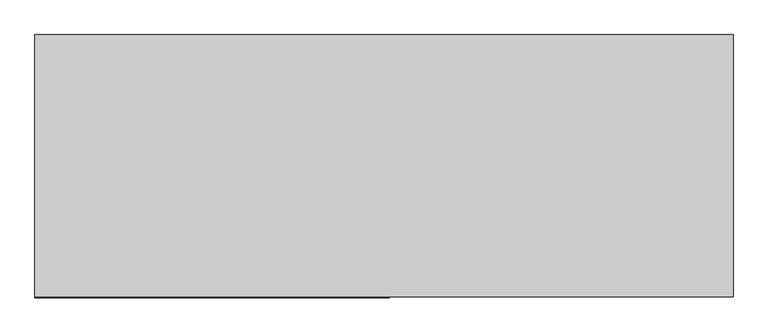
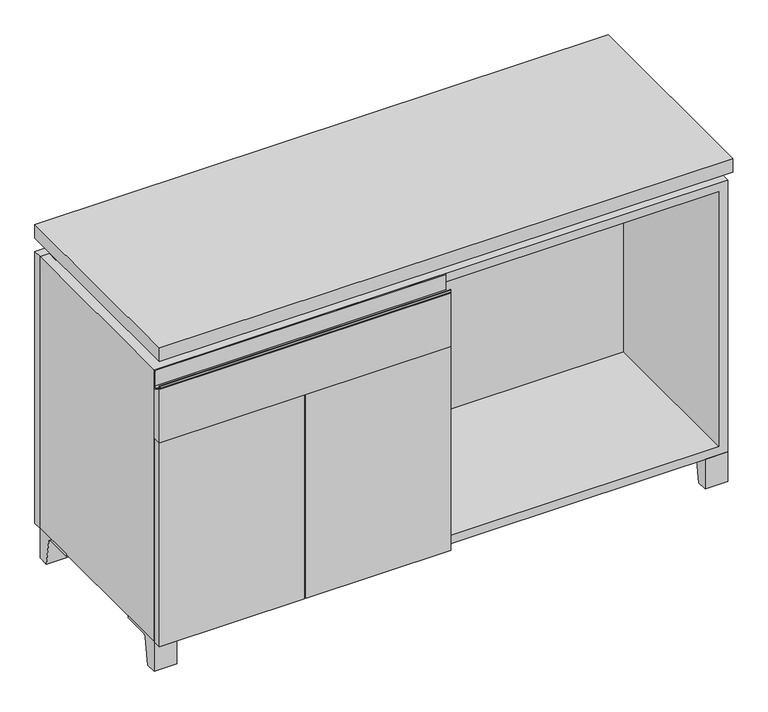
"""IFC4 building model written with IfcOpenShell, lengths in millimetres: furniture geometry."""

from ifc_helpers import new_model, si_unit, point, frame, frame_2d, origin, place, context, project, spatial, polyline, circle_curve, trimmed, segment, composite_curve, outline, extrude, faceted_brep, source, transform, mapped, element, save


def furniture_2ccb63e7(model_context):
    return source(origin(), model_context, "Body", "SolidModel", [
        extrude(outline(composite_curve([segment(polyline([(-146.05, 633.4125), (-165.1, 644.525)]), True, "CONTINUOUS"), segment(trimmed(circle_curve(frame_2d((-163.9001571, 646.5818735)), 2.38125), [point((-165.1, 644.525))], [point((-166.2814071, 646.5818735))], False, "CARTESIAN"), True, "CONTINUOUS"), segment(polyline([(-166.2814071, 646.5818735), (-166.2814071, 651.66875)]), True, "CONTINUOUS"), segment(trimmed(circle_curve(frame_2d((-165.4876571, 651.66875)), 0.79375), [point((-166.2814071, 651.66875))], [point((-164.6939071, 651.66875))], False, "CARTESIAN"), True, "CONTINUOUS"), segment(polyline([(-164.6939071, 651.66875), (-164.6939071, 646.5818735)]), True, "CONTINUOUS"), segment(trimmed(circle_curve(frame_2d((-163.9001571, 646.5818735)), 0.79375), [point((-164.6939071, 646.5818735))], [point((-164.3001047, 645.896249))], True, "CARTESIAN"), True, "CONTINUOUS"), segment(polyline([(-164.3001047, 645.896249), (-152.4122905, 638.9616907)]), True, "CONTINUOUS"), segment(trimmed(circle_curve(frame_2d((-150.8125, 641.7041887)), 3.175), [point((-152.4122905, 638.9616907))], [point((-147.6375, 641.7041887))], True, "CARTESIAN"), True, "CONTINUOUS"), segment(polyline([(-147.6375, 641.7041887), (-147.6375, 675.48125)]), True, "CONTINUOUS"), segment(trimmed(circle_curve(frame_2d((-146.84375, 675.48125)), 0.79375), [point((-147.6375, 675.48125))], [point((-146.05, 675.48125))], False, "CARTESIAN"), True, "CONTINUOUS"), segment(polyline([(-146.05, 675.48125), (-146.05, 633.4125)]), True, "CONTINUOUS")], self_intersect=False)), frame((-607.9986094, 0.0, 0.0), z_axis=(1.0, 0.0, 0.0), x_axis=(0.0, 1.0, 0.0)), (0.0, 0.0, 1.0), 617.5375),
        extrude(outline(polyline([(-146.05, 523.875), (-165.1, 523.875), (-165.1, 644.525), (-146.05, 633.4125), (-146.05, 523.875)])), frame((-607.9986094, 0.0, 0.0), z_axis=(1.0, 0.0, 0.0), x_axis=(0.0, 1.0, 0.0)), (0.0, 0.0, 1.0), 617.5375),
        extrude(outline(composite_curve([segment(polyline([(44.9791531, 0.0), (22.225, 0.0), (22.225, 66.675), (117.475, 66.675), (117.475, 61.8963321), (60.6744655, 61.8963321)]), True, "CONTINUOUS"), segment(trimmed(circle_curve(frame_2d((60.6744655, 55.5463321)), 6.35), [point((60.6744655, 61.8963321))], [point((54.4108641, 56.5902656))], True, "CARTESIAN"), True, "CONTINUOUS"), segment(polyline([(54.4108641, 56.5902656), (44.9791531, 0.0)]), True, "CONTINUOUS")], self_intersect=False)), frame((-23.7986094, 0.0, 0.0), z_axis=(1.0, 0.0, 0.0), x_axis=(0.0, 1.0, 0.0)), (0.0, 0.0, 1.0), 47.625),
        extrude(outline(composite_curve([segment(polyline([(-123.2958469, 0.0), (-146.05, 0.0), (-146.05, 66.675), (-50.8, 66.675), (-50.8, 61.8963321), (-107.6005345, 61.8963321)]), True, "CONTINUOUS"), segment(trimmed(circle_curve(frame_2d((-107.6005345, 55.5463321)), 6.35), [point((-107.6005345, 61.8963321))], [point((-113.8641359, 56.5902656))], True, "CARTESIAN"), True, "CONTINUOUS"), segment(polyline([(-113.8641359, 56.5902656), (-123.2958469, 0.0)]), True, "CONTINUOUS")], self_intersect=False)), frame((560.4013906, 0.0, 0.0), z_axis=(1.0, 0.0, 0.0), x_axis=(0.0, 1.0, 0.0)), (0.0, 0.0, 1.0), 47.625),
        extrude(outline(composite_curve([segment(polyline([(250.2958469, 0.0), (240.8641359, 56.5902656)]), True, "CONTINUOUS"), segment(trimmed(circle_curve(frame_2d((234.6005345, 55.5463321)), 6.35), [point((240.8641359, 56.5902656))], [point((234.6005345, 61.8963321))], True, "CARTESIAN"), True, "CONTINUOUS"), segment(polyline([(234.6005345, 61.8963321), (177.8, 61.8963321), (177.8, 66.675), (273.05, 66.675), (273.05, 0.0), (250.2958469, 0.0)]), True, "CONTINUOUS")], self_intersect=False)), frame((560.4013906, 0.0, 0.0), z_axis=(1.0, 0.0, 0.0), x_axis=(0.0, 1.0, 0.0)), (0.0, 0.0, 1.0), 47.625),
        extrude(outline(composite_curve([segment(polyline([(-123.2958469, 0.0), (-146.05, 0.0), (-146.05, 66.675), (-50.8, 66.675), (-50.8, 61.8963321), (-107.6005345, 61.8963321)]), True, "CONTINUOUS"), segment(trimmed(circle_curve(frame_2d((-107.6005345, 55.5463321)), 6.35), [point((-107.6005345, 61.8963321))], [point((-113.8641359, 56.5902656))], True, "CARTESIAN"), True, "CONTINUOUS"), segment(polyline([(-113.8641359, 56.5902656), (-123.2958469, 0.0)]), True, "CONTINUOUS")], self_intersect=False)), frame((-607.9986094, 0.0, 0.0), z_axis=(1.0, 0.0, 0.0), x_axis=(0.0, 1.0, 0.0)), (0.0, 0.0, 1.0), 47.625),
        extrude(outline(composite_curve([segment(polyline([(250.2958469, 0.0), (240.8641359, 56.5902656)]), True, "CONTINUOUS"), segment(trimmed(circle_curve(frame_2d((234.6005345, 55.5463321)), 6.35), [point((240.8641359, 56.5902656))], [point((234.6005345, 61.8963321))], True, "CARTESIAN"), True, "CONTINUOUS"), segment(polyline([(234.6005345, 61.8963321), (177.8, 61.8963321), (177.8, 66.675), (273.05, 66.675), (273.05, 0.0), (250.2958469, 0.0)]), True, "CONTINUOUS")], self_intersect=False)), frame((-607.9986094, 0.0, 0.0), z_axis=(1.0, 0.0, 0.0), x_axis=(0.0, 1.0, 0.0)), (0.0, 0.0, 1.0), 47.625),
        faceted_brep([(-607.9986094, -146.05, 66.675), (608.0125, -146.05, 66.675), (608.0125, -146.05, 676.275), (-607.9986094, -146.05, 676.275), (-588.9486094, -146.05, 85.725), (-588.9486094, -146.05, 657.225), (588.9694453, -146.05, 657.225), (588.9486094, -146.05, 85.725), (-607.9986094, 273.05, 66.675), (-607.9986094, 273.05, 676.275), (-588.9486094, 273.05, 676.275), (-588.9486094, 273.05, 85.725), (588.9486094, 273.05, 85.725), (588.9486094, 273.05, 676.275), (608.0125, 273.05, 676.275), (608.0125, 273.05, 66.675), (588.9486094, 247.65, 676.275), (-588.9416641, 247.65, 676.275), (-588.9486094, 247.65, 657.225), (588.9486094, 247.65, 657.225)], [[[0, 1, 2, 3], [4, 5, 6, 7]], [[8, 9, 10, 11, 12, 13, 14, 15]], [[1, 0, 8, 15]], [[2, 1, 15, 14]], [[3, 2, 14, 13, 16, 17, 10, 9]], [[0, 3, 9, 8]], [[11, 10, 17, 18, 5, 4]], [[13, 12, 7, 6, 19, 16]], [[4, 7, 12, 11]], [[6, 5, 18, 19]], [[17, 16, 19, 18]]]),
        extrude(outline(polyline([(608.0263906, -165.1), (-607.9986094, -165.1), (-607.9986094, 292.1), (608.0263906, 292.1), (608.0263906, -165.1)])), frame((0.0, 0.0, 706.4375), z_axis=(0.0, 0.0, 1.0), x_axis=(1.0, 0.0, 0.0)), (0.0, 0.0, 1.0), 30.1625),
        faceted_brep([(7.9513906, -69.85, 706.4375), (7.9513906, -69.85, 676.275), (7.9513906, 53.975, 676.275), (7.9513906, 53.975, 706.4375), (7.9513906, 196.85, 676.275), (7.9513906, 196.85, 706.4375), (7.9513906, 73.025, 706.4375), (7.9513906, 73.025, 676.275), (-7.9236094, 196.85, 706.4375), (-7.9236094, 196.85, 676.275), (-7.9236094, 73.025, 676.275), (-7.9236094, 73.025, 706.4375), (-7.9236094, -69.85, 676.275), (-7.9236094, -69.85, 706.4375), (-7.9236094, 53.975, 706.4375), (-7.9236094, 53.975, 676.275), (-566.6958281, 73.025, 706.4375), (-566.7166641, 247.65, 706.4375), (-582.5916641, 247.65, 706.4375), (-582.5916641, -120.65, 706.4375), (-566.7166641, -120.65, 706.4375), (-566.7166641, 53.975, 706.4375), (566.7236094, 53.975, 706.4375), (566.7236094, -120.65, 706.4375), (582.5986094, -120.65, 706.4375), (582.5986094, 247.65, 706.4375), (566.7236094, 247.65, 706.4375), (566.7236094, 73.025, 706.4375), (-566.6958281, 53.975, 676.275), (-566.7166641, -120.65, 676.275), (-582.5916641, -120.65, 676.275), (-582.5916641, 247.65, 676.275), (-566.7166641, 247.65, 676.275), (-566.7166641, 73.025, 676.275), (566.7236094, 73.025, 676.275), (566.7236094, 247.65, 676.275), (582.5986094, 247.65, 676.275), (582.5986094, -120.65, 676.275), (566.7236094, -120.65, 676.275), (566.7236094, 53.975, 676.275)], [[[0, 1, 2, 3]], [[4, 5, 6, 7]], [[8, 9, 10, 11]], [[12, 13, 14, 15]], [[5, 8, 11, 16, 17, 18, 19, 20, 21, 14, 13, 0, 3, 22, 23, 24, 25, 26, 27, 6]], [[1, 12, 15, 28, 29, 30, 31, 32, 33, 10, 9, 4, 7, 34, 35, 36, 37, 38, 39, 2]], [[5, 4, 9, 8]], [[1, 0, 13, 12]], [[6, 27, 34, 7]], [[22, 3, 2, 39]], [[20, 29, 28, 21]], [[32, 17, 16, 33]], [[18, 31, 30, 19]], [[29, 20, 19, 30]], [[17, 32, 31, 18]], [[26, 35, 34, 27]], [[38, 23, 22, 39]], [[25, 24, 37, 36]], [[23, 38, 37, 24]], [[35, 26, 25, 36]], [[16, 11, 10, 33]], [[14, 21, 28, 15]]]),
        extrude(outline(polyline([(9.5388906, 203.2), (9.5388906, -146.05), (-9.5111094, -146.05), (-9.5111094, 203.2), (9.5388906, 203.2)])), frame((0.0, 0.0, 85.725), z_axis=(0.0, 0.0, 1.0), x_axis=(1.0, 0.0, 0.0)), (0.0, 0.0, 1.0), 571.5),
        extrude(outline(polyline([(608.0263906, 273.05), (-607.9986094, 273.05), (-607.9986094, 292.1), (608.0263906, 292.1), (608.0263906, 273.05)])), frame((0.0, 0.0, 66.675), z_axis=(0.0, 0.0, 1.0), x_axis=(1.0, 0.0, 0.0)), (0.0, 0.0, 1.0), 609.6),
        extrude(outline(polyline([(-588.9416641, 203.2), (-588.9416641, 209.55), (588.9694453, 209.55), (588.9694453, 203.2), (-588.9416641, 203.2)])), frame((0.0, 0.0, 85.725), z_axis=(0.0, 0.0, 1.0), x_axis=(1.0, 0.0, 0.0)), (0.0, 0.0, 1.0), 571.5),
        extrude(outline(polyline([(9.5388906, -165.1), (-297.6423594, -165.1), (-297.6423594, -146.05), (9.5388906, -146.05), (9.5388906, -165.1)])), frame((0.0, 0.0, 66.675), z_axis=(0.0, 0.0, 1.0), x_axis=(1.0, 0.0, 0.0)), (0.0, 0.0, 1.0), 457.2),
        extrude(outline(polyline([(-300.8173594, -165.1), (-607.9986094, -165.1), (-607.9986094, -146.05), (-300.8173594, -146.05), (-300.8173594, -165.1)])), frame((0.0, 0.0, 66.675), z_axis=(0.0, 0.0, 1.0), x_axis=(1.0, 0.0, 0.0)), (0.0, 0.0, 1.0), 457.2),
    ])


if __name__ == "__main__":
    model = new_model("IFC4")
    model_context = context("Model", 3, world=origin())
    ifc_project = project(units=[si_unit("LENGTHUNIT", "METRE", prefix="MILLI")], contexts=[model_context])
    site = spatial("IfcSite", under=ifc_project)
    building = spatial("IfcBuilding", under=site)
    placement = place(None, origin())
    furniture_shape = furniture_2ccb63e7(model_context)
    element("IfcFurniture", 1, at=placement, inside=building, context=model_context, shape_type="MappedRepresentation", body=[
        mapped(furniture_shape, transform((0.0, 0.0, 0.0), x_axis=(1.0, 0.0, 0.0), y_axis=(0.0, 1.0, 0.0), z_axis=(0.0, 0.0, 1.0))),
    ])
    save(model, "model.ifc")
